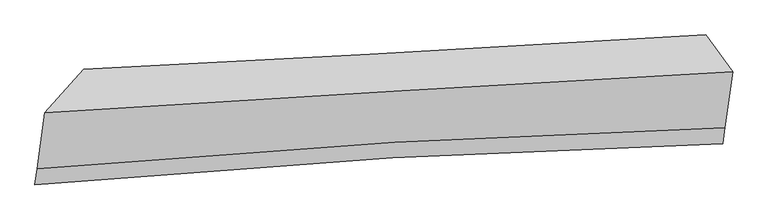
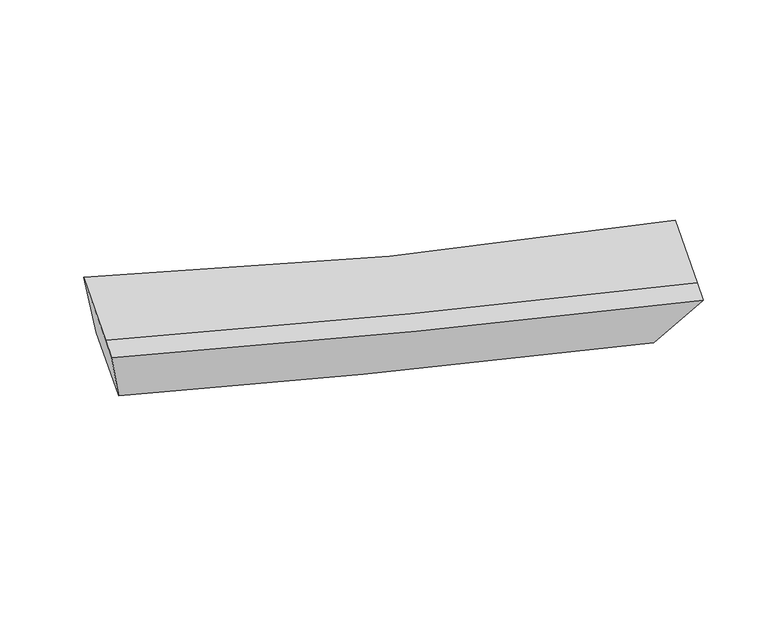
"""IFC4 building model written with IfcOpenShell, lengths in millimetres: proxy geometry."""

from ifc_helpers import new_model, si_unit, frame, origin, place, context, project, spatial, source, transform, mapped, element, save
from ifc_brep_helpers import plane_surface, spline_curve, spline_surface, advanced_brep


def generic_models_f6eab2a4(model_context):
    return source(origin(), model_context, "Body", "AdvancedBrep", [
        advanced_brep(
        [(-1796.7088373, -1799.7441856, 3588.1132318), (-2086.5171887, -2120.0407475, 4366.461401), (2995.8246826, -1817.7047312, 2906.6514664), (2795.984216, -1545.8637886, 2275.8938242), (-2142.8169494, -2535.0113936, 4088.0425325), (2939.5930508, -2232.1732171, 2628.5695154), (-2158.4906309, -2650.5379546, 4010.5315694), (2923.9193692, -2347.6997782, 2551.0585523), (-1853.6600218, -2219.5163038, 3306.4728813), (2740.5666711, -1954.3318552, 2001.8377723)],
        [
            (0, 1),
            (1, 2, spline_curve(3, [(-2086.5171887, -2120.0407475, 4366.461401), (-1177.399180584, -2061.431176882, 4053.112680012), (-298.46874543, -2006.886430448, 3774.601318739), (1395.387587677, -1906.142447872, 3288.295313032), (2210.571109378, -1859.908522428, 3080.203362968), (2995.8246826, -1817.7047312, 2906.6514664)], [4, 2, 4], [0.0, 8.289366682167705, 16.54328639480366])),
            (2, 3),
            (3, 0, spline_curve(3, [(2795.984216, -1545.8637886, 2275.8938242), (1908.326080067, -1597.674484811, 2480.556534991), (1082.45996208, -1644.701472745, 2691.990662064), (-448.969601436, -1729.369447836, 3129.338845959), (-1154.001167727, -1766.969259052, 3355.311187969), (-1796.7088373, -1799.7441856, 3588.1132318)], [4, 2, 4], [0.0, 8.253919712635954, 16.54328639480366])),
            (1, 4),
            (4, 5, spline_curve(3, [(-2142.8169494, -2535.0113936, 4088.0425325), (-1230.574872312, -2453.375136813, 3790.143251073), (-350.08004779, -2387.299690436, 3519.368254744), (1343.785684297, -2286.486429327, 3033.108730632), (2157.427526608, -2251.615816752, 2817.392721306), (2939.5930508, -2232.1732171, 2628.5695154)], [4, 2, 4], [0.0, 8.709873185414649, 17.382501232416857])),
            (5, 2),
            (4, 6),
            (6, 7, spline_curve(3, [(-2158.4906309, -2650.5379546, 4010.5315694), (-1246.248554053, -2568.901697933, 3712.632288117), (-365.753729459, -2502.826251669, 3441.857291694), (1328.112002966, -2402.012990293, 2955.597767682), (2141.753844841, -2367.142377936, 2739.881758243), (2923.9193692, -2347.6997782, 2551.0585523)], [4, 2, 4], [0.0, 8.709720279835027, 17.382196075112077])),
            (7, 5),
            (6, 8),
            (8, 9, spline_curve(3, [(-1853.6600218, -2219.5163038, 3306.4728813), (-1207.095004751, -2158.309887897, 3092.746555686), (-500.010545295, -2105.57874632, 2876.926372457), (1031.914831769, -2017.256258911, 2442.030133633), (1856.239270219, -1981.592584414, 2222.971947338), (2740.5666711, -1954.3318552, 2001.8377723)], [4, 2, 4], [0.0, 8.288090087083042, 16.540738663607108])),
            (9, 7),
            (8, 0),
            (3, 9),
        ],
        [
            spline_surface(3, 3, [[(-1796.7088373, -1799.7441856, 3588.1132318), (-1154.001167839, -1766.969258996, 3355.31118808), (-448.969601365, -1729.369447832, 3129.338845905), (1082.459962008, -1644.701472748, 2691.990662118), (1908.326079979, -1597.674484895, 2480.556535106), (2795.984216, -1545.8637886, 2275.8938242)], [(-1893.31162109, -1906.509706231, 3847.562621528), (-1161.800505454, -1865.123231619, 3587.911685426), (-398.802649369, -1821.875108693, 3344.426336822), (1186.769170562, -1731.848464486, 2890.758879068), (2009.074423144, -1685.085830691, 2680.438811047), (2862.597704875, -1636.477436116, 2486.146371614)], [(-1989.91440491, -2013.275226869, 4107.012011272), (-1169.599843099, -1963.277204249, 3820.512182788), (-348.635697396, -1914.380769526, 3559.513827812), (1291.078379094, -1818.995456196, 3089.527096091), (2109.822766286, -1772.497176538, 2880.321086944), (2929.211193725, -1727.091083684, 2696.398918986)], [(-2086.5171887, -2120.0407475, 4366.461401), (-1177.399180714, -2061.431176873, 4053.112680134), (-298.468745401, -2006.886430387, 3774.60131873), (1395.387587648, -1906.142447934, 3288.295313041), (2210.571109451, -1859.908522333, 3080.203362885), (2995.8246826, -1817.7047312, 2906.6514664)]], [4, 4], [4, 2, 4], [0.0, 2.34682183455823], [0.0, 8.289366682167705, 16.54328639480366]),
            spline_surface(3, 3, [[(-2086.5171887, -2120.0407475, 4366.461401), (-1177.399180714, -2061.431176873, 4053.112680134), (-298.468745401, -2006.886430387, 3774.60131873), (1395.387587648, -1906.142447934, 3288.295313041), (2210.571109451, -1859.908522333, 3080.203362885), (2995.8246826, -1817.7047312, 2906.6514664)], [(-2105.283775615, -2258.364296199, 4273.655111497), (-1195.124411305, -2192.079163528, 3965.456203804), (-315.672512888, -2133.690850423, 3689.523630752), (1378.186953214, -2032.923775068, 3203.23311893), (2192.856581791, -1990.477620516, 2992.599815694), (2977.08080532, -1955.860893189, 2813.957482716)], [(-2124.050362485, -2396.687844901, 4180.848822003), (-1212.849641851, -2322.727150185, 3877.799727482), (-332.876280363, -2260.495270425, 3604.44594271), (1360.986318791, -2159.705102167, 3118.170924754), (2175.142054172, -2121.04671863, 2904.996268554), (2958.33692808, -2094.017055111, 2721.263499084)], [(-2142.8169494, -2535.0113936, 4088.0425325), (-1230.574872441, -2453.375136839, 3790.143251152), (-350.08004785, -2387.299690461, 3519.368254733), (1343.785684357, -2286.486429301, 3033.108730643), (2157.427526512, -2251.615816812, 2817.392721364), (2939.5930508, -2232.1732171, 2628.5695154)]], [4, 4], [4, 2, 4], [0.0, 1.5123338612051223], [0.0, 8.709873185414649, 17.382501232416857]),
            spline_surface(3, 3, [[(-2142.8169494, -2535.0113936, 4088.0425325), (-1230.574872441, -2453.375136839, 3790.143251152), (-350.08004785, -2387.299690461, 3519.368254733), (1343.785684357, -2286.486429301, 3033.108730643), (2157.427526512, -2251.615816812, 2817.392721364), (2939.5930508, -2232.1732171, 2628.5695154)], [(-2148.041509908, -2573.520247292, 4062.205544816), (-1235.799432949, -2491.883990532, 3764.306263468), (-355.304608357, -2425.808544154, 3493.531267048), (1338.56112385, -2324.995282993, 3007.271742959), (2152.202966005, -2290.124670505, 2791.55573368), (2934.368490292, -2270.682070792, 2602.732527716)], [(-2153.266070392, -2612.029100908, 4036.368557084), (-1241.023993434, -2530.392844147, 3738.469275736), (-360.529168842, -2464.317397869, 3467.694279417), (1333.336563365, -2363.504136709, 2981.434755328), (2146.97840542, -2328.63352422, 2765.718745948), (2929.143929708, -2309.190924508, 2576.895539984)], [(-2158.4906309, -2650.5379546, 4010.5315694), (-1246.248553941, -2568.901697839, 3712.632288052), (-365.75372935, -2502.826251561, 3441.857291733), (1328.112002857, -2402.012990401, 2955.597767643), (2141.753844912, -2367.142377912, 2739.881758264), (2923.9193692, -2347.6997782, 2551.0585523)]], [4, 4], [4, 2, 4], [0.0, 0.4593175853018439], [0.0, 8.709720279835027, 17.382196075112077]),
            spline_surface(3, 3, [[(-2158.4906309, -2650.5379546, 4010.5315694), (-1246.248553941, -2568.901697839, 3712.632288052), (-365.75372935, -2502.826251561, 3441.857291733), (1328.112002857, -2402.012990401, 2955.597767643), (2141.753844912, -2367.142377912, 2739.881758264), (2923.9193692, -2347.6997782, 2551.0585523)], [(-2056.880427851, -2506.864070987, 3775.845340046), (-1233.197370838, -2432.037761145, 3506.003710643), (-410.506001338, -2370.41041646, 3253.546985319), (1229.379612517, -2273.760746588, 2784.408556294), (2046.582319961, -2238.625780041, 2567.578487924), (2862.801803141, -2216.577137191, 2367.984958961)], [(-1955.270224849, -2363.190187413, 3541.159110654), (-1220.146187782, -2295.17382449, 3299.375133195), (-455.25827335, -2237.994581364, 3065.236678907), (1130.647222152, -2145.508502781, 2613.219344946), (1951.410795086, -2110.109182198, 2395.275217601), (2801.684237159, -2085.454496209, 2184.911365639)], [(-1853.6600218, -2219.5163038, 3306.4728813), (-1207.095004678, -2158.309887796, 3092.746555786), (-500.010545338, -2105.578746263, 2876.926372494), (1031.914831812, -2017.256258968, 2442.030133596), (1856.239270135, -1981.592584327, 2222.971947261), (2740.5666711, -1954.3318552, 2001.8377723)]], [4, 4], [4, 2, 4], [0.0, 2.2965538459857875], [0.0, 8.288090087083042, 16.540738663607108]),
            spline_surface(3, 3, [[(-1853.6600218, -2219.5163038, 3306.4728813), (-1207.095004678, -2158.309887796, 3092.746555786), (-500.010545338, -2105.578746263, 2876.926372494), (1031.914831812, -2017.256258968, 2442.030133596), (1856.239270134, -1981.592584327, 2222.971947261), (2740.5666711, -1954.3318552, 2001.8377723)], [(-1834.676293637, -2079.59226439, 3400.352998113), (-1189.397059069, -2027.863011519, 3180.268099863), (-482.996897351, -1980.175646775, 2961.063863652), (1048.76320854, -1893.071330217, 2525.350309791), (1873.601540088, -1853.619884528, 2308.833476535), (2759.039186072, -1818.175833012, 2093.189789593)], [(-1815.692565463, -1939.66822501, 3494.233114987), (-1171.699113448, -1897.416135272, 3267.789644003), (-465.983249352, -1854.77254732, 3045.201354747), (1065.61158528, -1768.886401499, 2608.670485923), (1890.963810025, -1725.647184694, 2394.695005832), (2777.511701028, -1682.019810788, 2184.541806907)], [(-1796.7088373, -1799.7441856, 3588.1132318), (-1154.001167839, -1766.969258996, 3355.31118808), (-448.969601365, -1729.369447832, 3129.338845905), (1082.459962008, -1644.701472748, 2691.990662118), (1908.326079979, -1597.674484895, 2480.556535106), (2795.984216, -1545.8637886, 2275.8938242)]], [4, 4], [4, 2, 4], [0.0, 1.4885229380880485], [0.0, 7.8660626338148365, 15.69848842983415]),
            plane_surface(frame((2864.0737347, -1916.4000383, 2433.8604038), z_axis=(0.9585705564816773, 0.05717890430978777, -0.2790574513399339), x_axis=(-0.26193242596746624, 0.5619541757542698, -0.7846011143116846))),
            plane_surface(frame((-1973.8441697, -2197.4597979, 3817.8947709), z_axis=(-0.931382973058992, 0.28135475432565227, -0.23100921997648713), x_axis=(-0.11195486801922858, -0.825189721975661, -0.5536497360900017))),
        ],
        [
            (0, [[1, 2, 3, 4]]),
            (1, [[5, 6, 7, -2]]),
            (2, [[8, 9, 10, -6]]),
            (3, [[11, 12, 13, -9]]),
            (4, [[14, -4, 15, -12]]),
            (5, [[-13, -15, -3, -7, -10]]),
            (6, [[-14, -11, -8, -5, -1]]),
        ],
    ),
    ])


if __name__ == "__main__":
    model = new_model("IFC4")
    model_context = context("Model", 3, world=origin())
    ifc_project = project(units=[si_unit("LENGTHUNIT", "METRE", prefix="MILLI")], contexts=[model_context])
    site = spatial("IfcSite", under=ifc_project)
    building = spatial("IfcBuilding", under=site)
    placement = place(None, origin())
    generic_models_shape = generic_models_f6eab2a4(model_context)
    element("IfcBuildingElementProxy", 1, Name="Generic Models", at=placement, inside=building, context=model_context, shape_type="MappedRepresentation", body=[
        mapped(generic_models_shape, transform((0.0, 0.0, 0.0), x_axis=(1.0, 0.0, 0.0), y_axis=(0.0, 1.0, 0.0), z_axis=(0.0, 0.0, 1.0))),
    ])
    save(model, "model.ifc")
